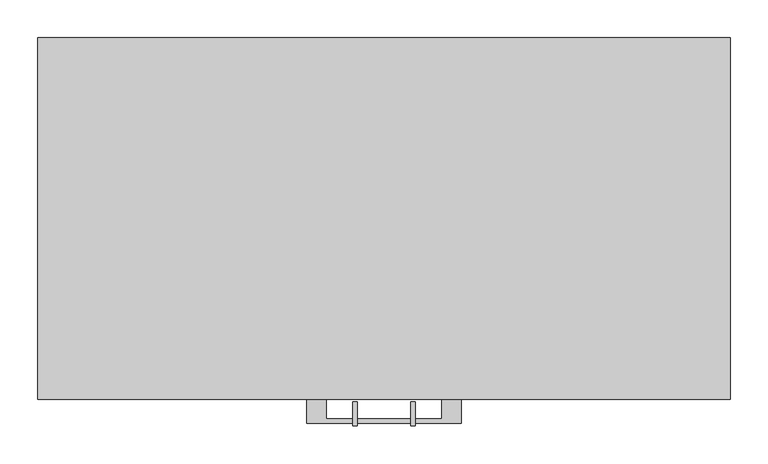
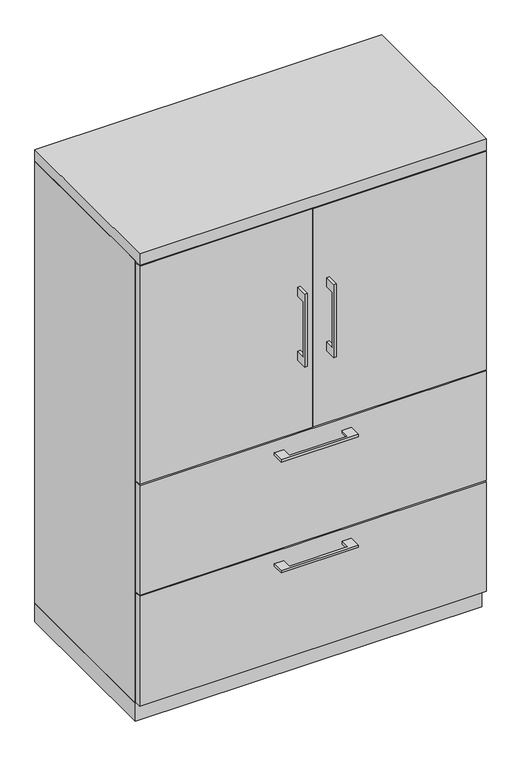
"""IFC4 building model written with IfcOpenShell, lengths in millimetres: furniture geometry."""

import ifcopenshell
import ifcopenshell.guid

model = None  # the IFC model being written
_history = None  # IfcOwnerHistory: only IFC2X3 demands one
_inside = {}  # id of a spatial element -> (the spatial element, [elements in it])
_under = {}  # id of a project, library or spatial element -> (it, [spatial elements below it])
_declared = {}  # id of a project -> (the project, [libraries it declares])
_typed = {}  # id of a type object -> (the type object, [elements of that type])
_made_of = {}  # id of a material, layer set ... -> (it, [elements and type objects made of it])


def new_model(schema):
    """Start an empty IFC model of exactly this schema.

    Asked for "IFC4X3", IfcOpenShell would pick the latest addendum, in which some entities
    have other attributes; the version numbers below select the first issue.
    IFC2X3 requires an IfcOwnerHistory on every rooted entity: one is made here for all.
    """
    global model, _history
    if schema == "IFC4X3":
        model = ifcopenshell.file(schema_version=(4, 3, 0, 0))
    else:
        model = ifcopenshell.file(schema=schema)
    _inside.clear()
    _under.clear()
    _declared.clear()
    _typed.clear()
    _made_of.clear()
    _history = None
    if model.schema == "IFC2X3":
        org = make("IfcOrganization", Name="unknown")
        user = make(
            "IfcPersonAndOrganization",
            ThePerson=make("IfcPerson", FamilyName="unknown"),
            TheOrganization=org,
        )
        app = make(
            "IfcApplication",
            ApplicationDeveloper=org,
            Version="unknown",
            ApplicationFullName="unknown",
            ApplicationIdentifier="unknown",
        )
        _history = make(
            "IfcOwnerHistory",
            OwningUser=user,
            OwningApplication=app,
            ChangeAction="ADDED",
            CreationDate=0,
        )
    return model


def make(cls, **values):
    """One entity of the class cls with the attributes given. An attribute that is None is left unset."""
    return model.create_entity(
        cls, **{name: value for name, value in values.items() if value is not None}
    )


def rooted(cls, **values):
    """An entity with a GlobalId (a new one), such as an element, a storey or a relation."""
    return make(cls, GlobalId=ifcopenshell.guid.new(), OwnerHistory=_history, **values)


def si_unit(unit_type, name, prefix=None):
    """IfcSIUnit, for example si_unit("LENGTHUNIT", "METRE", prefix="MILLI")."""
    return make("IfcSIUnit", UnitType=unit_type, Prefix=prefix, Name=name)


def assignment(units):
    """IfcUnitAssignment: the units of a project."""
    return None if units is None else make("IfcUnitAssignment", Units=units)


def point(xyz):
    """IfcCartesianPoint."""
    return None if xyz is None else make("IfcCartesianPoint", Coordinates=xyz)


def direction(xyz):
    """IfcDirection."""
    return None if xyz is None else make("IfcDirection", DirectionRatios=xyz)


def frame(location, z_axis=None, x_axis=None):
    """IfcAxis2Placement3D, a coordinate frame: its origin and axes. An axis left out is left unset."""
    return make(
        "IfcAxis2Placement3D",
        Location=point(location),
        Axis=direction(z_axis),
        RefDirection=direction(x_axis),
    )


def origin():
    """The frame at (0, 0, 0) with its axes left unset."""
    return frame((0.0, 0.0, 0.0))


def origin_with_axes():
    """The frame at (0, 0, 0) with the z axis (0, 0, 1) and the x axis (1, 0, 0) written out."""
    return frame((0.0, 0.0, 0.0), z_axis=(0.0, 0.0, 1.0), x_axis=(1.0, 0.0, 0.0))


def place(relative_to, where):
    """IfcLocalPlacement: puts the frame where relative to a parent placement (None: the world)."""
    return make(
        "IfcLocalPlacement", PlacementRelTo=relative_to, RelativePlacement=where
    )


def context(
    kind, dimensions, precision=None, world=None, true_north=None, identifier=None
):
    """IfcGeometricRepresentationContext, for example the 3D "Model" context."""
    return make(
        "IfcGeometricRepresentationContext",
        ContextIdentifier=identifier,
        ContextType=kind,
        CoordinateSpaceDimension=dimensions,
        Precision=precision,
        WorldCoordinateSystem=world,
        TrueNorth=true_north,
    )


def project(units=None, contexts=None):
    """IfcProject with its units and contexts."""
    return rooted(
        "IfcProject",
        Name="project",
        RepresentationContexts=contexts,
        UnitsInContext=assignment(units),
    )


def spatial(cls, under=None, at=None, **own):
    """A site, building, storey or space (cls), placed at a placement, below another one or the project."""
    s = rooted(cls, ObjectPlacement=at, **own)
    if under is not None:
        _under.setdefault(under.id(), (under, []))[1].append(s)
    return s


def polyline(points):
    """IfcPolyline through the points."""
    return make("IfcPolyline", Points=[point(p) for p in points])


def outline(outer, holes=None, kind="AREA"):
    """IfcArbitraryClosedProfileDef: a profile drawn as a closed curve; with holes, ...WithVoids."""
    if holes is None:
        return make("IfcArbitraryClosedProfileDef", ProfileType=kind, OuterCurve=outer)
    return make(
        "IfcArbitraryProfileDefWithVoids",
        ProfileType=kind,
        OuterCurve=outer,
        InnerCurves=holes,
    )


def extrude(swept, where, along, depth):
    """IfcExtrudedAreaSolid: the profile swept, set in the frame where, extruded along a direction by depth."""
    return make(
        "IfcExtrudedAreaSolid",
        SweptArea=swept,
        Position=where,
        ExtrudedDirection=direction(along),
        Depth=depth,
    )


def shape(context_of_items, identifier, shape_type, items):
    """IfcShapeRepresentation: the items that make up one representation, for example the "Body"."""
    return make(
        "IfcShapeRepresentation",
        ContextOfItems=context_of_items,
        RepresentationIdentifier=identifier,
        RepresentationType=shape_type,
        Items=items,
    )


def source(mapping_origin, context_of_items, identifier, shape_type, items):
    """IfcRepresentationMap: a shape defined once, which mapped items show again and again."""
    return make(
        "IfcRepresentationMap",
        MappingOrigin=mapping_origin,
        MappedRepresentation=shape(context_of_items, identifier, shape_type, items),
    )


def transform(
    local_origin,
    x_axis=None,
    y_axis=None,
    z_axis=None,
    scale=None,
    scale2=None,
    scale3=None,
    uniform=True,
):
    """IfcCartesianTransformationOperator3D, or its non-uniform kind. x_axis, y_axis, z_axis: its Axis1, 2, 3."""
    if uniform:
        return make(
            "IfcCartesianTransformationOperator3D",
            Axis1=direction(x_axis),
            Axis2=direction(y_axis),
            LocalOrigin=point(local_origin),
            Scale=scale,
            Axis3=direction(z_axis),
        )
    return make(
        "IfcCartesianTransformationOperator3DnonUniform",
        Axis1=direction(x_axis),
        Axis2=direction(y_axis),
        LocalOrigin=point(local_origin),
        Scale=scale,
        Axis3=direction(z_axis),
        Scale2=scale2,
        Scale3=scale3,
    )


def mapped(mapping_source, mapping_target):
    """IfcMappedItem: shows the shape of a source again, moved by a transform."""
    return make(
        "IfcMappedItem", MappingSource=mapping_source, MappingTarget=mapping_target
    )


def made_of(thing, what):
    """Note that an element or type object is made of a material, layer set ...; save() writes the relation."""
    if what is not None:
        _made_of.setdefault(what.id(), (what, []))[1].append(thing)
    return thing


def element(
    cls,
    number,
    at=None,
    inside=None,
    cuts=None,
    type_object=None,
    material=None,
    context=None,
    identifier="Body",
    shape_type=None,
    held_by="IfcProductDefinitionShape",
    body=None,
    shapes=None,
    **own,
):
    """One element of the class cls, such as IfcWall. Its Tag is "e" and its number.

    at: its placement. inside: the storey or other place that contains it. cuts: it is an
    opening in that element (IfcRelVoidsElement). A single representation is given by context,
    identifier, shape_type and body (its items); several are given by shapes. held_by: the class
    of the entity that holds the representations. save() writes the other relations.
    """
    e = rooted(cls, Tag="e%d" % number, ObjectPlacement=at, **own)
    if body is not None:
        shapes = [shape(context, identifier, shape_type, body)]
    if shapes is not None:
        e.Representation = make(held_by, Representations=shapes)
    if inside is not None:
        _inside.setdefault(inside.id(), (inside, []))[1].append(e)
    if cuts is not None:
        rooted(
            "IfcRelVoidsElement", RelatingBuildingElement=cuts, RelatedOpeningElement=e
        )
    if type_object is not None:
        _typed.setdefault(type_object.id(), (type_object, []))[1].append(e)
    return made_of(e, material)


def aggregate(whole, parts):
    """IfcRelAggregates: a whole, such as a stair, and the parts it consists of."""
    return rooted("IfcRelAggregates", RelatingObject=whole, RelatedObjects=parts)


def save(model, path):
    """Write the relations noted so far, then the file.

    IfcRelAggregates (storeys below a building ...), IfcRelContainedInSpatialStructure (elements
    in a storey), IfcRelDefinesByType, IfcRelAssociatesMaterial and IfcRelDeclares: one each for
    every whole, place, type object, material and project.
    """
    for whole, parts in _under.values():
        aggregate(whole, parts)
    for where, things in _inside.values():
        rooted(
            "IfcRelContainedInSpatialStructure",
            RelatedElements=things,
            RelatingStructure=where,
        )
    for kind, things in _typed.values():
        rooted("IfcRelDefinesByType", RelatedObjects=things, RelatingType=kind)
    for what, things in _made_of.values():
        rooted("IfcRelAssociatesMaterial", RelatedObjects=things, RelatingMaterial=what)
    for by, libraries in _declared.values():
        rooted("IfcRelDeclares", RelatingContext=by, RelatedDefinitions=libraries)
    model.write(path)


def furniture_876f506e(model_context):
    return source(origin(), model_context, "Body", "SweptSolid", [
        extrude(outline(polyline([(-479.425, 1049.3375), (-504.8249758, 1049.3375), (-504.8249758, 896.9375), (-479.425, 896.9375), (-479.425, 871.5375), (-511.1749879, 871.5375), (-511.1749879, 1074.7375), (-479.425, 1074.7375), (-479.425, 1049.3375)])), frame((-41.2749879, 0.0, 0.0), z_axis=(1.0, 0.0, 0.0), x_axis=(0.0, 1.0, 0.0)), (0.0, 0.0, 1.0), 6.3499758),
        extrude(outline(polyline([(-455.6125, -476.25), (-455.6125, -457.2), (-1.5875, -457.2), (-1.5875, -476.25), (-455.6125, -476.25)])), frame((0.0, 0.0, 669.925), z_axis=(0.0, 0.0, 1.0), x_axis=(1.0, 0.0, 0.0)), (0.0, 0.0, 1.0), 606.425),
        extrude(outline(polyline([(-479.425, 1049.3375), (-504.8249758, 1049.3375), (-504.8249758, 896.9375), (-479.425, 896.9375), (-479.425, 871.5375), (-511.1749879, 871.5375), (-511.1749879, 1074.7375), (-479.425, 1074.7375), (-479.425, 1049.3375)])), frame((34.9250121, 0.0, 0.0), z_axis=(1.0, 0.0, 0.0), x_axis=(0.0, 1.0, 0.0)), (0.0, 0.0, 1.0), 6.3499758),
        extrude(outline(polyline([(455.6125, -476.25), (1.5875, -476.25), (1.5875, -457.2), (455.6125, -457.2), (455.6125, -476.25)])), frame((0.0, 0.0, 669.925), z_axis=(0.0, 0.0, 1.0), x_axis=(1.0, 0.0, 0.0)), (0.0, 0.0, 1.0), 606.425),
        extrude(outline(polyline([(436.5625, -19.05), (436.5625, -457.2), (-436.5625, -457.2), (-436.5625, -19.05), (436.5625, -19.05)])), frame((0.0, 0.0, 965.2), z_axis=(0.0, 0.0, 1.0), x_axis=(1.0, 0.0, 0.0)), (0.0, 0.0, 1.0), 19.05),
        extrude(outline(polyline([(-76.1999818, -476.25), (-76.1999818, -501.6499758), (76.2, -501.6499758), (76.2, -476.25), (101.5999939, -476.25), (101.5999939, -507.9999879), (-101.5999939, -507.9999879), (-101.5999939, -476.25), (-76.1999818, -476.25)])), frame((0.0, 0.0, 627.0625506), z_axis=(0.0, 0.0, 1.0), x_axis=(1.0, 0.0, 0.0)), (0.0, 0.0, 1.0), 6.3499758),
        extrude(outline(polyline([(455.6125, -457.2), (455.6125, -476.25), (-455.6125, -476.25), (-455.6125, -457.2), (455.6125, -457.2)])), frame((0.0, 0.0, 361.95), z_axis=(0.0, 0.0, 1.0), x_axis=(1.0, 0.0, 0.0)), (0.0, 0.0, 1.0), 304.8),
        extrude(outline(polyline([(-76.1999818, -476.25), (-76.1999818, -501.6499758), (76.2, -501.6499758), (76.2, -476.25), (101.5999939, -476.25), (101.5999939, -507.9999879), (-101.5999939, -507.9999879), (-101.5999939, -476.25), (-76.1999818, -476.25)])), frame((0.0, 0.0, 319.0875506), z_axis=(0.0, 0.0, 1.0), x_axis=(1.0, 0.0, 0.0)), (0.0, 0.0, 1.0), 6.3499758),
        extrude(outline(polyline([(455.6125, -457.2), (455.6125, -476.25), (-455.6125, -476.25), (-455.6125, -457.2), (455.6125, -457.2)])), frame((0.0, 0.0, 53.975), z_axis=(0.0, 0.0, 1.0), x_axis=(1.0, 0.0, 0.0)), (0.0, 0.0, 1.0), 304.8),
        extrude(outline(polyline([(436.5625, -19.05), (436.5625, -457.2), (-436.5625, -457.2), (-436.5625, -19.05), (436.5625, -19.05)])), frame((0.0, 0.0, 50.8), z_axis=(0.0, 0.0, 1.0), x_axis=(1.0, 0.0, 0.0)), (0.0, 0.0, 1.0), 619.125),
        extrude(outline(polyline([(-455.6125, 0.0), (455.6125, 0.0), (455.6125, -457.2), (436.5625, -457.2), (436.5625, -19.05), (-436.5625, -19.05), (-436.5625, -457.2), (-455.6125, -457.2), (-455.6125, 0.0)])), frame((0.0, 0.0, 50.8), z_axis=(0.0, 0.0, 1.0), x_axis=(1.0, 0.0, 0.0)), (0.0, 0.0, 1.0), 1228.725),
        extrude(outline(polyline([(455.6125, 0.0), (455.6125, -476.25), (-455.6125, -476.25), (-455.6125, 0.0), (455.6125, 0.0)])), frame((0.0, 0.0, 1279.525), z_axis=(0.0, 0.0, 1.0), x_axis=(1.0, 0.0, 0.0)), (0.0, 0.0, 1.0), 31.75),
        extrude(outline(polyline([(455.6125, 0.0), (455.6125, -457.2), (-455.6125, -457.2), (-455.6125, 0.0), (455.6125, 0.0)])), origin_with_axes(), (0.0, 0.0, 1.0), 50.8),
    ])


if __name__ == "__main__":
    model = new_model("IFC4")
    model_context = context("Model", 3, world=origin())
    ifc_project = project(units=[si_unit("LENGTHUNIT", "METRE", prefix="MILLI")], contexts=[model_context])
    site = spatial("IfcSite", under=ifc_project)
    building = spatial("IfcBuilding", under=site)
    placement = place(None, origin())
    furniture_shape = furniture_876f506e(model_context)
    element("IfcFurniture", 1, at=placement, inside=building, context=model_context, shape_type="MappedRepresentation", body=[
        mapped(furniture_shape, transform((0.0, 0.0, 0.0), x_axis=(1.0, 0.0, 0.0), y_axis=(0.0, 1.0, 0.0), z_axis=(0.0, 0.0, 1.0))),
    ])
    save(model, "model.ifc")
